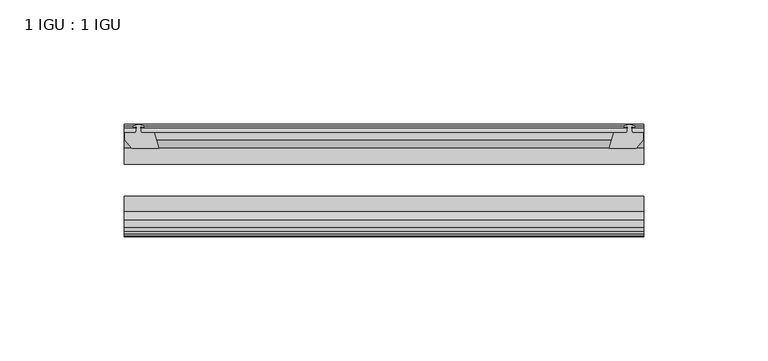
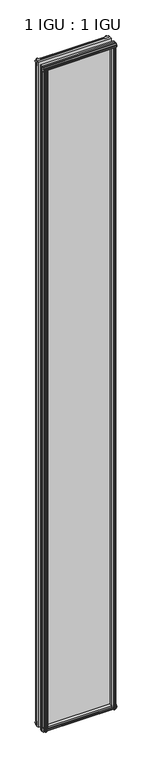
"""IFC4 building model written with IfcOpenShell, lengths in millimetres: plate geometry, 1 IGU : 1 IGU."""

import ifcopenshell
import ifcopenshell.guid

model = None  # the IFC model being written
_history = None  # IfcOwnerHistory: only IFC2X3 demands one
_inside = {}  # id of a spatial element -> (the spatial element, [elements in it])
_under = {}  # id of a project, library or spatial element -> (it, [spatial elements below it])
_declared = {}  # id of a project -> (the project, [libraries it declares])
_typed = {}  # id of a type object -> (the type object, [elements of that type])
_made_of = {}  # id of a material, layer set ... -> (it, [elements and type objects made of it])


def new_model(schema):
    """Start an empty IFC model of exactly this schema.

    Asked for "IFC4X3", IfcOpenShell would pick the latest addendum, in which some entities
    have other attributes; the version numbers below select the first issue.
    IFC2X3 requires an IfcOwnerHistory on every rooted entity: one is made here for all.
    """
    global model, _history
    if schema == "IFC4X3":
        model = ifcopenshell.file(schema_version=(4, 3, 0, 0))
    else:
        model = ifcopenshell.file(schema=schema)
    _inside.clear()
    _under.clear()
    _declared.clear()
    _typed.clear()
    _made_of.clear()
    _history = None
    if model.schema == "IFC2X3":
        org = make("IfcOrganization", Name="unknown")
        user = make(
            "IfcPersonAndOrganization",
            ThePerson=make("IfcPerson", FamilyName="unknown"),
            TheOrganization=org,
        )
        app = make(
            "IfcApplication",
            ApplicationDeveloper=org,
            Version="unknown",
            ApplicationFullName="unknown",
            ApplicationIdentifier="unknown",
        )
        _history = make(
            "IfcOwnerHistory",
            OwningUser=user,
            OwningApplication=app,
            ChangeAction="ADDED",
            CreationDate=0,
        )
    return model


def make(cls, **values):
    """One entity of the class cls with the attributes given. An attribute that is None is left unset."""
    return model.create_entity(
        cls, **{name: value for name, value in values.items() if value is not None}
    )


def rooted(cls, **values):
    """An entity with a GlobalId (a new one), such as an element, a storey or a relation."""
    return make(cls, GlobalId=ifcopenshell.guid.new(), OwnerHistory=_history, **values)


def si_unit(unit_type, name, prefix=None):
    """IfcSIUnit, for example si_unit("LENGTHUNIT", "METRE", prefix="MILLI")."""
    return make("IfcSIUnit", UnitType=unit_type, Prefix=prefix, Name=name)


def assignment(units):
    """IfcUnitAssignment: the units of a project."""
    return None if units is None else make("IfcUnitAssignment", Units=units)


def point(xyz):
    """IfcCartesianPoint."""
    return None if xyz is None else make("IfcCartesianPoint", Coordinates=xyz)


def direction(xyz):
    """IfcDirection."""
    return None if xyz is None else make("IfcDirection", DirectionRatios=xyz)


def frame(location, z_axis=None, x_axis=None):
    """IfcAxis2Placement3D, a coordinate frame: its origin and axes. An axis left out is left unset."""
    return make(
        "IfcAxis2Placement3D",
        Location=point(location),
        Axis=direction(z_axis),
        RefDirection=direction(x_axis),
    )


def origin():
    """The frame at (0, 0, 0) with its axes left unset."""
    return frame((0.0, 0.0, 0.0))


def place(relative_to, where):
    """IfcLocalPlacement: puts the frame where relative to a parent placement (None: the world)."""
    return make(
        "IfcLocalPlacement", PlacementRelTo=relative_to, RelativePlacement=where
    )


def context(
    kind, dimensions, precision=None, world=None, true_north=None, identifier=None
):
    """IfcGeometricRepresentationContext, for example the 3D "Model" context."""
    return make(
        "IfcGeometricRepresentationContext",
        ContextIdentifier=identifier,
        ContextType=kind,
        CoordinateSpaceDimension=dimensions,
        Precision=precision,
        WorldCoordinateSystem=world,
        TrueNorth=true_north,
    )


def project(units=None, contexts=None):
    """IfcProject with its units and contexts."""
    return rooted(
        "IfcProject",
        Name="project",
        RepresentationContexts=contexts,
        UnitsInContext=assignment(units),
    )


def spatial(cls, under=None, at=None, **own):
    """A site, building, storey or space (cls), placed at a placement, below another one or the project."""
    s = rooted(cls, ObjectPlacement=at, **own)
    if under is not None:
        _under.setdefault(under.id(), (under, []))[1].append(s)
    return s


def polyline(points):
    """IfcPolyline through the points."""
    return make("IfcPolyline", Points=[point(p) for p in points])


def outline(outer, holes=None, kind="AREA"):
    """IfcArbitraryClosedProfileDef: a profile drawn as a closed curve; with holes, ...WithVoids."""
    if holes is None:
        return make("IfcArbitraryClosedProfileDef", ProfileType=kind, OuterCurve=outer)
    return make(
        "IfcArbitraryProfileDefWithVoids",
        ProfileType=kind,
        OuterCurve=outer,
        InnerCurves=holes,
    )


def extrude(swept, where, along, depth):
    """IfcExtrudedAreaSolid: the profile swept, set in the frame where, extruded along a direction by depth."""
    return make(
        "IfcExtrudedAreaSolid",
        SweptArea=swept,
        Position=where,
        ExtrudedDirection=direction(along),
        Depth=depth,
    )


def shape(context_of_items, identifier, shape_type, items):
    """IfcShapeRepresentation: the items that make up one representation, for example the "Body"."""
    return make(
        "IfcShapeRepresentation",
        ContextOfItems=context_of_items,
        RepresentationIdentifier=identifier,
        RepresentationType=shape_type,
        Items=items,
    )


def source(mapping_origin, context_of_items, identifier, shape_type, items):
    """IfcRepresentationMap: a shape defined once, which mapped items show again and again."""
    return make(
        "IfcRepresentationMap",
        MappingOrigin=mapping_origin,
        MappedRepresentation=shape(context_of_items, identifier, shape_type, items),
    )


def transform(
    local_origin,
    x_axis=None,
    y_axis=None,
    z_axis=None,
    scale=None,
    scale2=None,
    scale3=None,
    uniform=True,
):
    """IfcCartesianTransformationOperator3D, or its non-uniform kind. x_axis, y_axis, z_axis: its Axis1, 2, 3."""
    if uniform:
        return make(
            "IfcCartesianTransformationOperator3D",
            Axis1=direction(x_axis),
            Axis2=direction(y_axis),
            LocalOrigin=point(local_origin),
            Scale=scale,
            Axis3=direction(z_axis),
        )
    return make(
        "IfcCartesianTransformationOperator3DnonUniform",
        Axis1=direction(x_axis),
        Axis2=direction(y_axis),
        LocalOrigin=point(local_origin),
        Scale=scale,
        Axis3=direction(z_axis),
        Scale2=scale2,
        Scale3=scale3,
    )


def mapped(mapping_source, mapping_target):
    """IfcMappedItem: shows the shape of a source again, moved by a transform."""
    return make(
        "IfcMappedItem", MappingSource=mapping_source, MappingTarget=mapping_target
    )


def made_of(thing, what):
    """Note that an element or type object is made of a material, layer set ...; save() writes the relation."""
    if what is not None:
        _made_of.setdefault(what.id(), (what, []))[1].append(thing)
    return thing


def element(
    cls,
    number,
    at=None,
    inside=None,
    cuts=None,
    type_object=None,
    material=None,
    context=None,
    identifier="Body",
    shape_type=None,
    held_by="IfcProductDefinitionShape",
    body=None,
    shapes=None,
    **own,
):
    """One element of the class cls, such as IfcWall. Its Tag is "e" and its number.

    at: its placement. inside: the storey or other place that contains it. cuts: it is an
    opening in that element (IfcRelVoidsElement). A single representation is given by context,
    identifier, shape_type and body (its items); several are given by shapes. held_by: the class
    of the entity that holds the representations. save() writes the other relations.
    """
    e = rooted(cls, Tag="e%d" % number, ObjectPlacement=at, **own)
    if body is not None:
        shapes = [shape(context, identifier, shape_type, body)]
    if shapes is not None:
        e.Representation = make(held_by, Representations=shapes)
    if inside is not None:
        _inside.setdefault(inside.id(), (inside, []))[1].append(e)
    if cuts is not None:
        rooted(
            "IfcRelVoidsElement", RelatingBuildingElement=cuts, RelatedOpeningElement=e
        )
    if type_object is not None:
        _typed.setdefault(type_object.id(), (type_object, []))[1].append(e)
    return made_of(e, material)


def aggregate(whole, parts):
    """IfcRelAggregates: a whole, such as a stair, and the parts it consists of."""
    return rooted("IfcRelAggregates", RelatingObject=whole, RelatedObjects=parts)


def save(model, path):
    """Write the relations noted so far, then the file.

    IfcRelAggregates (storeys below a building ...), IfcRelContainedInSpatialStructure (elements
    in a storey), IfcRelDefinesByType, IfcRelAssociatesMaterial and IfcRelDeclares: one each for
    every whole, place, type object, material and project.
    """
    for whole, parts in _under.values():
        aggregate(whole, parts)
    for where, things in _inside.values():
        rooted(
            "IfcRelContainedInSpatialStructure",
            RelatedElements=things,
            RelatingStructure=where,
        )
    for kind, things in _typed.values():
        rooted("IfcRelDefinesByType", RelatedObjects=things, RelatingType=kind)
    for what, things in _made_of.values():
        rooted("IfcRelAssociatesMaterial", RelatedObjects=things, RelatingMaterial=what)
    for by, libraries in _declared.values():
        rooted("IfcRelDeclares", RelatingContext=by, RelatedDefinitions=libraries)
    model.write(path)


def plate_1_igu_1_igu_d5144e72(model_context):
    return source(origin(), model_context, "Body", "SweptSolid", [
        extrude(outline(polyline([(96.7255119, -10.4746158), (98.9030409, -9.7670937), (101.08057, -10.4746158), (101.08057, -11.27583), (99.6650409, -10.8158968), (100.0460409, -13.1960937), (104.4910409, -13.1960937), (104.4910409, -16.1424937), (101.6566987, -19.5460937), (90.8353228, -19.5460937), (92.5530409, -13.1960937), (97.7600409, -13.1960937), (98.1410409, -10.8158968), (96.7255119, -11.27583), (96.7255119, -10.4746158)])), frame((0.0, 0.0, -12.4587), z_axis=(0.0, 0.0, 1.0), x_axis=(1.0, 0.0, 0.0)), (0.0, 0.0, 1.0), 2018.8174),
        extrude(outline(polyline([(-98.9030409, -9.7670937), (-96.7255119, -10.4746158), (-96.7255119, -11.27583), (-98.1410409, -10.8158968), (-97.7600409, -13.1960937), (-92.5530409, -13.1960937), (-90.8353228, -19.5460937), (-101.6566987, -19.5460937), (-104.4910409, -16.1424937), (-104.4910409, -13.1960937), (-100.0460409, -13.1960937), (-99.6650409, -10.8158968), (-101.08057, -11.27583), (-101.08057, -10.4746158), (-98.9030409, -9.7670937)])), frame((0.0, 0.0, -12.4587), z_axis=(0.0, 0.0, 1.0), x_axis=(1.0, 0.0, 0.0)), (0.0, 0.0, 1.0), 2018.8174),
        extrude(outline(polyline([(90.3179248, -44.9460938), (101.1393007, -44.9460938), (103.9736429, -48.3496937), (103.9736429, -51.2960937), (99.5286429, -51.2960937), (99.1476429, -53.6762907), (100.5631719, -53.2163575), (100.5631719, -54.0175717), (98.3856429, -54.7250937), (96.2081138, -54.0175717), (96.2081138, -53.2163575), (97.6236429, -53.6762907), (97.2426429, -51.2960938), (92.0356429, -51.2960938), (90.3179248, -44.9460938)])), frame((0.0, 0.0, -12.4587), z_axis=(0.0, 0.0, 1.0), x_axis=(1.0, 0.0, 0.0)), (0.0, 0.0, 1.0), 2006.1174),
        extrude(outline(polyline([(-90.3146228, -44.9460937), (-92.0323409, -51.2960937), (-97.2393409, -51.2960937), (-97.6203409, -53.6762907), (-96.2048119, -53.2163575), (-96.2048119, -54.0175717), (-98.3823409, -54.7250937), (-100.55987, -54.0175717), (-100.55987, -53.2163575), (-99.1443409, -53.6762907), (-99.5253409, -51.2960937), (-103.9703409, -51.2960937), (-103.9703409, -48.3496937), (-101.1359987, -44.9460937), (-90.3146228, -44.9460937)])), frame((0.0, 0.0, -12.4587), z_axis=(0.0, 0.0, 1.0), x_axis=(1.0, 0.0, 0.0)), (0.0, 0.0, 1.0), 2006.1174),
        extrude(outline(polyline([(-10.4746158, -4.6931709), (-9.7670937, -6.8707), (-10.4746158, -9.0482291), (-11.27583, -9.0482291), (-10.8158968, -7.6327), (-13.1960937, -8.0137), (-13.1960937, -12.4587), (-16.1424937, -12.4587), (-19.5460937, -9.6243578), (-19.5460937, 1.1970181), (-13.1960937, -0.5207), (-13.1960937, -5.7277), (-10.8158968, -6.1087), (-11.27583, -4.6931709), (-10.4746158, -4.6931709)])), frame((-104.7323409, 0.0, 0.0), z_axis=(1.0, 0.0, 0.0), x_axis=(0.0, 1.0, 0.0)), (0.0, 0.0, 1.0), 209.4646818),
        extrude(outline(polyline([(-44.9460937, 1.7177181), (-44.9460937, -9.1036578), (-48.3496937, -11.938), (-51.2960937, -11.938), (-51.2960937, -7.493), (-53.6762907, -7.112), (-53.2163575, -8.5275291), (-54.0175717, -8.5275291), (-54.7250937, -6.35), (-54.0175717, -4.1724709), (-53.2163575, -4.1724709), (-53.6762907, -5.588), (-51.2960937, -5.207), (-51.2960937, 0.0), (-44.9460937, 1.7177181)])), frame((-104.7323409, 0.0, 0.0), z_axis=(1.0, 0.0, 0.0), x_axis=(0.0, 1.0, 0.0)), (0.0, 0.0, 1.0), 209.4646818),
        extrude(outline(polyline([(-10.8158968, 2001.5327), (-11.27583, 2002.9482291), (-10.4746158, 2002.9482291), (-9.7670937, 2000.7707), (-10.4746158, 1998.5931709), (-11.27583, 1998.5931709), (-10.8158968, 2000.0087), (-13.1960937, 1999.6277), (-13.1960937, 1994.4207), (-19.5460938, 1992.7029819), (-19.5460938, 2003.5243578), (-16.1424937, 2006.3587), (-13.1960937, 2006.3587), (-13.1960937, 2001.9137), (-10.8158968, 2001.5327)])), frame((-104.7323409, 0.0, 0.0), z_axis=(1.0, 0.0, 0.0), x_axis=(0.0, 1.0, 0.0)), (0.0, 0.0, 1.0), 209.4646818),
        extrude(outline(polyline([(-51.2960937, 2005.838), (-48.3496937, 2005.838), (-44.9460938, 2003.0036578), (-44.9460938, 1992.1822819), (-51.2960937, 1993.9), (-51.2960937, 1999.107), (-53.6762907, 1999.488), (-53.2163575, 1998.0724709), (-54.0175717, 1998.0724709), (-54.7250937, 2000.25), (-54.0175717, 2002.4275291), (-53.2163575, 2002.4275291), (-53.6762907, 2001.012), (-51.2960937, 2001.393), (-51.2960937, 2005.838)])), frame((-104.7323409, 0.0, 0.0), z_axis=(1.0, 0.0, 0.0), x_axis=(0.0, 1.0, 0.0)), (0.0, 0.0, 1.0), 209.4646818),
        extrude(outline(polyline([(-104.7323409, -38.9186738), (104.7323409, -38.9186738), (104.7323409, -44.9460937), (-104.7323409, -44.9460937), (-104.7323409, -38.9186738)])), frame((0.0, 0.0, -12.7), z_axis=(0.0, 0.0, 1.0), x_axis=(1.0, 0.0, 0.0)), (0.0, 0.0, 1.0), 2019.3),
        extrude(outline(polyline([(-104.7323409, -19.5460937), (104.7323409, -19.5460937), (104.7323409, -25.8960938), (-104.7323409, -25.8960938), (-104.7323409, -19.5460937)])), frame((0.0, 0.0, -12.7), z_axis=(0.0, 0.0, 1.0), x_axis=(1.0, 0.0, 0.0)), (0.0, 0.0, 1.0), 2019.3),
    ])


if __name__ == "__main__":
    model = new_model("IFC4")
    model_context = context("Model", 3, world=origin())
    ifc_project = project(units=[si_unit("LENGTHUNIT", "METRE", prefix="MILLI")], contexts=[model_context])
    site = spatial("IfcSite", under=ifc_project)
    building = spatial("IfcBuilding", under=site)
    placement = place(None, origin())
    plate_1_igu_1_igu_shape = plate_1_igu_1_igu_d5144e72(model_context)
    element("IfcPlate", 1, ObjectType="1 IGU : 1 IGU", at=placement, inside=building, context=model_context, shape_type="MappedRepresentation", body=[
        mapped(plate_1_igu_1_igu_shape, transform((0.0, 0.0, 0.0), x_axis=(1.0, 0.0, 0.0), y_axis=(0.0, 1.0, 0.0), z_axis=(0.0, 0.0, 1.0))),
    ])
    save(model, "model.ifc")
